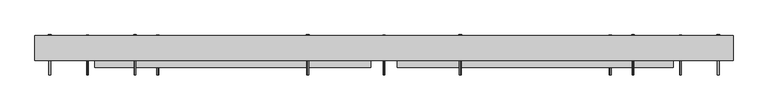
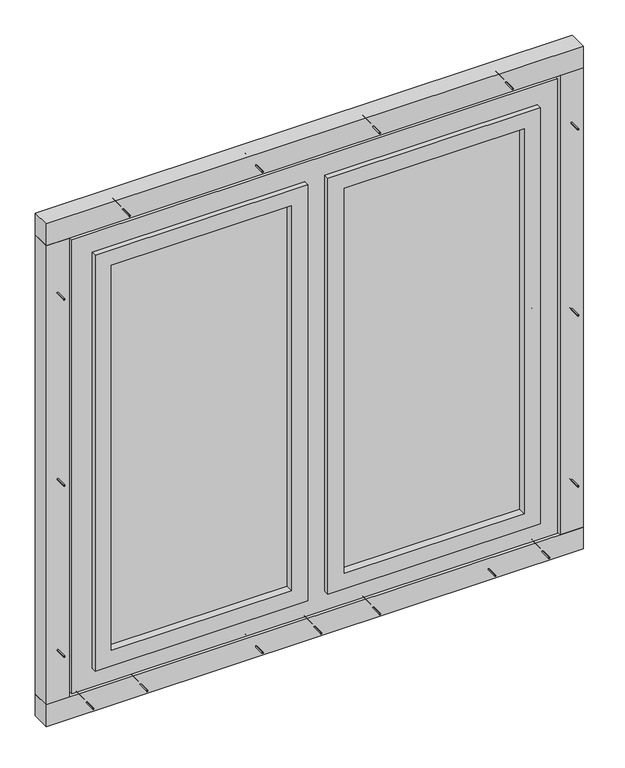
"""IFC4 building model written with IfcOpenShell, lengths in millimetres: proxy geometry."""

from ifc_helpers import new_model, si_unit, point, frame, frame_2d, origin, origin_with_axes, place, context, project, spatial, polyline, circle_curve, trimmed, segment, composite_curve, outline, extrude, source, transform, mapped, element, save


def generic_models_c57a778a(model_context):
    return source(origin(), model_context, "Body", "SweptSolid", [
        extrude(outline(polyline([(890.0, -35.0), (222.5, -35.0), (222.5, -25.0), (890.0, -25.0), (890.0, -35.0)])), frame((0.0, 0.0, 230.0), z_axis=(0.0, 0.0, 1.0), x_axis=(1.0, 0.0, 0.0)), (0.0, 0.0, 1.0), 1510.0),
        extrude(outline(polyline([(1875.0, 1025.0), (1875.0, -775.0), (95.0, -775.0), (95.0, 1025.0), (1875.0, 1025.0)]), holes=[polyline([(170.0, 950.0), (170.0, 162.5), (1800.0, 162.5), (1800.0, 950.0), (170.0, 950.0)]), polyline([(170.0, -700.0), (1800.0, -700.0), (1800.0, 87.5), (170.0, 87.5), (170.0, -700.0)])]), frame((0.0, -45.0, 0.0), z_axis=(0.0, 1.0, 0.0), x_axis=(0.0, 0.0, 1.0)), (0.0, 0.0, 1.0), 70.0),
        extrude(outline(polyline([(170.0, 950.0), (1800.0, 950.0), (1800.0, 162.5), (170.0, 162.5), (170.0, 950.0)]), holes=[polyline([(1740.0, 890.0), (230.0, 890.0), (230.0, 222.5), (1740.0, 222.5), (1740.0, 890.0)])]), frame((0.0, -65.0, 0.0), z_axis=(0.0, 1.0, 0.0), x_axis=(0.0, 0.0, 1.0)), (0.0, 0.0, 1.0), 70.0),
        extrude(outline(polyline([(-640.0, -35.0), (-640.0, -25.0), (27.5, -25.0), (27.5, -35.0), (-640.0, -35.0)])), frame((0.0, 0.0, 230.0), z_axis=(0.0, 0.0, 1.0), x_axis=(1.0, 0.0, 0.0)), (0.0, 0.0, 1.0), 1510.0),
        extrude(outline(polyline([(170.0, 87.5), (1800.0, 87.5), (1800.0, -700.0), (170.0, -700.0), (170.0, 87.5)]), holes=[polyline([(1740.0, 27.5), (230.0, 27.5), (230.0, -640.0), (1740.0, -640.0), (1740.0, 27.5)])]), frame((0.0, -65.0, 0.0), z_axis=(0.0, 1.0, 0.0), x_axis=(0.0, 0.0, 1.0)), (0.0, 0.0, 1.0), 70.0),
        extrude(outline(composite_curve([segment(trimmed(circle_curve(frame_2d((-550.0, -10.0)), 2.4700592), [point((-550.0, -12.4700592))], [point((-550.0, -7.5299408))], False, "CARTESIAN"), True, "CONTINUOUS"), segment(trimmed(circle_curve(frame_2d((-550.0, -10.0)), 2.4700592), [point((-550.0, -7.5299408))], [point((-550.0, -12.4700592))], False, "CARTESIAN"), True, "CONTINUOUS")], self_intersect=False)), frame((0.0, 0.0, 1800.0), z_axis=(0.0, 0.0, 1.0), x_axis=(1.0, 0.0, 0.0)), (0.0, 0.0, 1.0), 145.0),
        extrude(outline(composite_curve([segment(trimmed(circle_curve(frame_2d((-550.0, -10.0)), 3.8), [point((-550.0, -13.8))], [point((-550.0, -6.2))], False, "CARTESIAN"), True, "CONTINUOUS"), segment(trimmed(circle_curve(frame_2d((-550.0, -10.0)), 3.8), [point((-550.0, -6.2))], [point((-550.0, -13.8))], False, "CARTESIAN"), True, "CONTINUOUS")], self_intersect=False)), frame((0.0, 0.0, 1797.0), z_axis=(0.0, 0.0, 1.0), x_axis=(1.0, 0.0, 0.0)), (0.0, 0.0, 1.0), 3.0),
        extrude(outline(composite_curve([segment(trimmed(circle_curve(frame_2d((800.0, -10.0)), 2.4700592), [point((800.0, -12.4700592))], [point((800.0, -7.5299408))], False, "CARTESIAN"), True, "CONTINUOUS"), segment(trimmed(circle_curve(frame_2d((800.0, -10.0)), 2.4700592), [point((800.0, -7.5299408))], [point((800.0, -12.4700592))], False, "CARTESIAN"), True, "CONTINUOUS")], self_intersect=False)), frame((0.0, 0.0, 1800.0), z_axis=(0.0, 0.0, 1.0), x_axis=(1.0, 0.0, 0.0)), (0.0, 0.0, 1.0), 145.0),
        extrude(outline(composite_curve([segment(trimmed(circle_curve(frame_2d((800.0, -10.0)), 3.8), [point((800.0, -13.8))], [point((800.0, -6.2))], False, "CARTESIAN"), True, "CONTINUOUS"), segment(trimmed(circle_curve(frame_2d((800.0, -10.0)), 3.8), [point((800.0, -6.2))], [point((800.0, -13.8))], False, "CARTESIAN"), True, "CONTINUOUS")], self_intersect=False)), frame((0.0, 0.0, 1797.0), z_axis=(0.0, 0.0, 1.0), x_axis=(1.0, 0.0, 0.0)), (0.0, 0.0, 1.0), 3.0),
        extrude(outline(composite_curve([segment(trimmed(circle_curve(frame_2d((1927.5, 342.5)), 2.4700592), [point((1929.9700592, 342.5))], [point((1925.0299408, 342.5))], False, "CARTESIAN"), True, "CONTINUOUS"), segment(trimmed(circle_curve(frame_2d((1927.5, 342.5)), 2.4700592), [point((1925.0299408, 342.5))], [point((1929.9700592, 342.5))], False, "CARTESIAN"), True, "CONTINUOUS")], self_intersect=False)), frame((0.0, -87.0, 0.0), z_axis=(0.0, 1.0, 0.0), x_axis=(0.0, 0.0, 1.0)), (0.0, 0.0, 1.0), 112.0),
        extrude(outline(composite_curve([segment(trimmed(circle_curve(frame_2d((1927.5, 342.5)), 3.8), [point((1931.3, 342.5))], [point((1923.7, 342.5))], False, "CARTESIAN"), True, "CONTINUOUS"), segment(trimmed(circle_curve(frame_2d((1927.5, 342.5)), 3.8), [point((1923.7, 342.5))], [point((1931.3, 342.5))], False, "CARTESIAN"), True, "CONTINUOUS")], self_intersect=False)), frame((0.0, 25.0, 0.0), z_axis=(0.0, 1.0, 0.0), x_axis=(0.0, 0.0, 1.0)), (0.0, 0.0, 1.0), 3.0),
        extrude(outline(composite_curve([segment(trimmed(circle_curve(frame_2d((312.5, -10.0)), 2.4700592), [point((312.5, -12.4700592))], [point((312.5, -7.5299408))], False, "CARTESIAN"), True, "CONTINUOUS"), segment(trimmed(circle_curve(frame_2d((312.5, -10.0)), 2.4700592), [point((312.5, -7.5299408))], [point((312.5, -12.4700592))], False, "CARTESIAN"), True, "CONTINUOUS")], self_intersect=False)), frame((0.0, 0.0, 1800.0), z_axis=(0.0, 0.0, 1.0), x_axis=(1.0, 0.0, 0.0)), (0.0, 0.0, 1.0), 145.0),
        extrude(outline(composite_curve([segment(trimmed(circle_curve(frame_2d((312.5, -10.0)), 3.8), [point((312.5, -13.8))], [point((312.5, -6.2))], False, "CARTESIAN"), True, "CONTINUOUS"), segment(trimmed(circle_curve(frame_2d((312.5, -10.0)), 3.8), [point((312.5, -6.2))], [point((312.5, -13.8))], False, "CARTESIAN"), True, "CONTINUOUS")], self_intersect=False)), frame((0.0, 0.0, 1797.0), z_axis=(0.0, 0.0, 1.0), x_axis=(1.0, 0.0, 0.0)), (0.0, 0.0, 1.0), 3.0),
        extrude(outline(composite_curve([segment(trimmed(circle_curve(frame_2d((1927.5, -92.5)), 2.4700592), [point((1929.9700592, -92.5))], [point((1925.0299408, -92.5))], False, "CARTESIAN"), True, "CONTINUOUS"), segment(trimmed(circle_curve(frame_2d((1927.5, -92.5)), 2.4700592), [point((1925.0299408, -92.5))], [point((1929.9700592, -92.5))], False, "CARTESIAN"), True, "CONTINUOUS")], self_intersect=False)), frame((0.0, -87.0, 0.0), z_axis=(0.0, 1.0, 0.0), x_axis=(0.0, 0.0, 1.0)), (0.0, 0.0, 1.0), 112.0),
        extrude(outline(composite_curve([segment(trimmed(circle_curve(frame_2d((1927.5, -92.5)), 3.8), [point((1931.3, -92.5))], [point((1923.7, -92.5))], False, "CARTESIAN"), True, "CONTINUOUS"), segment(trimmed(circle_curve(frame_2d((1927.5, -92.5)), 3.8), [point((1923.7, -92.5))], [point((1931.3, -92.5))], False, "CARTESIAN"), True, "CONTINUOUS")], self_intersect=False)), frame((0.0, 25.0, 0.0), z_axis=(0.0, 1.0, 0.0), x_axis=(0.0, 0.0, 1.0)), (0.0, 0.0, 1.0), 3.0),
        extrude(outline(composite_curve([segment(trimmed(circle_curve(frame_2d((-62.5, -10.0)), 2.4700592), [point((-62.5, -12.4700592))], [point((-62.5, -7.5299408))], False, "CARTESIAN"), True, "CONTINUOUS"), segment(trimmed(circle_curve(frame_2d((-62.5, -10.0)), 2.4700592), [point((-62.5, -7.5299408))], [point((-62.5, -12.4700592))], False, "CARTESIAN"), True, "CONTINUOUS")], self_intersect=False)), frame((0.0, 0.0, 1800.0), z_axis=(0.0, 0.0, 1.0), x_axis=(1.0, 0.0, 0.0)), (0.0, 0.0, 1.0), 145.0),
        extrude(outline(composite_curve([segment(trimmed(circle_curve(frame_2d((-62.5, -10.0)), 3.8), [point((-62.5, -13.8))], [point((-62.5, -6.2))], False, "CARTESIAN"), True, "CONTINUOUS"), segment(trimmed(circle_curve(frame_2d((-62.5, -10.0)), 3.8), [point((-62.5, -6.2))], [point((-62.5, -13.8))], False, "CARTESIAN"), True, "CONTINUOUS")], self_intersect=False)), frame((0.0, 0.0, 1797.0), z_axis=(0.0, 0.0, 1.0), x_axis=(1.0, 0.0, 0.0)), (0.0, 0.0, 1.0), 3.0),
        extrude(outline(composite_curve([segment(trimmed(circle_curve(frame_2d((1927.5, -585.0)), 2.4700592), [point((1929.9700592, -585.0))], [point((1925.0299408, -585.0))], False, "CARTESIAN"), True, "CONTINUOUS"), segment(trimmed(circle_curve(frame_2d((1927.5, -585.0)), 2.4700592), [point((1925.0299408, -585.0))], [point((1929.9700592, -585.0))], False, "CARTESIAN"), True, "CONTINUOUS")], self_intersect=False)), frame((0.0, -87.0, 0.0), z_axis=(0.0, 1.0, 0.0), x_axis=(0.0, 0.0, 1.0)), (0.0, 0.0, 1.0), 112.0),
        extrude(outline(composite_curve([segment(trimmed(circle_curve(frame_2d((1927.5, -585.0)), 3.8), [point((1931.3, -585.0))], [point((1923.7, -585.0))], False, "CARTESIAN"), True, "CONTINUOUS"), segment(trimmed(circle_curve(frame_2d((1927.5, -585.0)), 3.8), [point((1923.7, -585.0))], [point((1931.3, -585.0))], False, "CARTESIAN"), True, "CONTINUOUS")], self_intersect=False)), frame((0.0, 25.0, 0.0), z_axis=(0.0, 1.0, 0.0), x_axis=(0.0, 0.0, 1.0)), (0.0, 0.0, 1.0), 3.0),
        extrude(outline(composite_curve([segment(trimmed(circle_curve(frame_2d((1927.5, 835.0)), 2.4700592), [point((1929.9700592, 835.0))], [point((1925.0299408, 835.0))], False, "CARTESIAN"), True, "CONTINUOUS"), segment(trimmed(circle_curve(frame_2d((1927.5, 835.0)), 2.4700592), [point((1925.0299408, 835.0))], [point((1929.9700592, 835.0))], False, "CARTESIAN"), True, "CONTINUOUS")], self_intersect=False)), frame((0.0, -87.0, 0.0), z_axis=(0.0, 1.0, 0.0), x_axis=(0.0, 0.0, 1.0)), (0.0, 0.0, 1.0), 112.0),
        extrude(outline(composite_curve([segment(trimmed(circle_curve(frame_2d((1927.5, 835.0)), 3.8), [point((1931.3, 835.0))], [point((1923.7, 835.0))], False, "CARTESIAN"), True, "CONTINUOUS"), segment(trimmed(circle_curve(frame_2d((1927.5, 835.0)), 3.8), [point((1923.7, 835.0))], [point((1931.3, 835.0))], False, "CARTESIAN"), True, "CONTINUOUS")], self_intersect=False)), frame((0.0, 25.0, 0.0), z_axis=(0.0, 1.0, 0.0), x_axis=(0.0, 0.0, 1.0)), (0.0, 0.0, 1.0), 3.0),
        extrude(outline(polyline([(1120.0, -45.0), (-870.0, -45.0), (-870.0, 25.0), (1120.0, 25.0), (1120.0, -45.0)])), frame((0.0, 0.0, 1885.0), z_axis=(0.0, 0.0, 1.0), x_axis=(1.0, 0.0, 0.0)), (0.0, 0.0, 1.0), 85.0),
        extrude(outline(composite_curve([segment(trimmed(circle_curve(frame_2d((42.5, -520.0)), 2.4700592), [point((44.9700592, -520.0))], [point((40.0299408, -520.0))], False, "CARTESIAN"), True, "CONTINUOUS"), segment(trimmed(circle_curve(frame_2d((42.5, -520.0)), 2.4700592), [point((40.0299408, -520.0))], [point((44.9700592, -520.0))], False, "CARTESIAN"), True, "CONTINUOUS")], self_intersect=False)), frame((0.0, -87.0, 0.0), z_axis=(0.0, 1.0, 0.0), x_axis=(0.0, 0.0, 1.0)), (0.0, 0.0, 1.0), 112.0),
        extrude(outline(composite_curve([segment(trimmed(circle_curve(frame_2d((42.5, -520.0)), 3.8), [point((46.3, -520.0))], [point((38.7, -520.0))], False, "CARTESIAN"), True, "CONTINUOUS"), segment(trimmed(circle_curve(frame_2d((42.5, -520.0)), 3.8), [point((38.7, -520.0))], [point((46.3, -520.0))], False, "CARTESIAN"), True, "CONTINUOUS")], self_intersect=False)), frame((0.0, 25.0, 0.0), z_axis=(0.0, 1.0, 0.0), x_axis=(0.0, 0.0, 1.0)), (0.0, 0.0, 1.0), 3.0),
        extrude(outline(composite_curve([segment(trimmed(circle_curve(frame_2d((-550.0, -10.0)), 2.4700592), [point((-550.0, -12.4700592))], [point((-550.0, -7.5299408))], False, "CARTESIAN"), True, "CONTINUOUS"), segment(trimmed(circle_curve(frame_2d((-550.0, -10.0)), 2.4700592), [point((-550.0, -7.5299408))], [point((-550.0, -12.4700592))], False, "CARTESIAN"), True, "CONTINUOUS")], self_intersect=False)), frame((0.0, 0.0, 25.0), z_axis=(0.0, 0.0, 1.0), x_axis=(1.0, 0.0, 0.0)), (0.0, 0.0, 1.0), 145.0),
        extrude(outline(composite_curve([segment(trimmed(circle_curve(frame_2d((-550.0, -10.0)), 3.8), [point((-550.0, -13.8))], [point((-550.0, -6.2))], False, "CARTESIAN"), True, "CONTINUOUS"), segment(trimmed(circle_curve(frame_2d((-550.0, -10.0)), 3.8), [point((-550.0, -6.2))], [point((-550.0, -13.8))], False, "CARTESIAN"), True, "CONTINUOUS")], self_intersect=False)), frame((0.0, 0.0, 170.0), z_axis=(0.0, 0.0, 1.0), x_axis=(1.0, 0.0, 0.0)), (0.0, 0.0, 1.0), 3.0),
        extrude(outline(composite_curve([segment(trimmed(circle_curve(frame_2d((42.5, -92.5)), 2.4700592), [point((44.9700592, -92.5))], [point((40.0299408, -92.5))], False, "CARTESIAN"), True, "CONTINUOUS"), segment(trimmed(circle_curve(frame_2d((42.5, -92.5)), 2.4700592), [point((40.0299408, -92.5))], [point((44.9700592, -92.5))], False, "CARTESIAN"), True, "CONTINUOUS")], self_intersect=False)), frame((0.0, -87.0, 0.0), z_axis=(0.0, 1.0, 0.0), x_axis=(0.0, 0.0, 1.0)), (0.0, 0.0, 1.0), 112.0),
        extrude(outline(composite_curve([segment(trimmed(circle_curve(frame_2d((42.5, -92.5)), 3.8), [point((46.3, -92.5))], [point((38.7, -92.5))], False, "CARTESIAN"), True, "CONTINUOUS"), segment(trimmed(circle_curve(frame_2d((42.5, -92.5)), 3.8), [point((38.7, -92.5))], [point((46.3, -92.5))], False, "CARTESIAN"), True, "CONTINUOUS")], self_intersect=False)), frame((0.0, 25.0, 0.0), z_axis=(0.0, 1.0, 0.0), x_axis=(0.0, 0.0, 1.0)), (0.0, 0.0, 1.0), 3.0),
        extrude(outline(composite_curve([segment(trimmed(circle_curve(frame_2d((-62.5, -10.0)), 2.4700592), [point((-62.5, -12.4700592))], [point((-62.5, -7.5299408))], False, "CARTESIAN"), True, "CONTINUOUS"), segment(trimmed(circle_curve(frame_2d((-62.5, -10.0)), 2.4700592), [point((-62.5, -7.5299408))], [point((-62.5, -12.4700592))], False, "CARTESIAN"), True, "CONTINUOUS")], self_intersect=False)), frame((0.0, 0.0, 25.0), z_axis=(0.0, 0.0, 1.0), x_axis=(1.0, 0.0, 0.0)), (0.0, 0.0, 1.0), 145.0),
        extrude(outline(composite_curve([segment(trimmed(circle_curve(frame_2d((-62.5, -10.0)), 3.8), [point((-62.5, -13.8))], [point((-62.5, -6.2))], False, "CARTESIAN"), True, "CONTINUOUS"), segment(trimmed(circle_curve(frame_2d((-62.5, -10.0)), 3.8), [point((-62.5, -6.2))], [point((-62.5, -13.8))], False, "CARTESIAN"), True, "CONTINUOUS")], self_intersect=False)), frame((0.0, 0.0, 170.0), z_axis=(0.0, 0.0, 1.0), x_axis=(1.0, 0.0, 0.0)), (0.0, 0.0, 1.0), 3.0),
        extrude(outline(composite_curve([segment(trimmed(circle_curve(frame_2d((42.5, 770.0)), 2.4700592), [point((44.9700592, 770.0))], [point((40.0299408, 770.0))], False, "CARTESIAN"), True, "CONTINUOUS"), segment(trimmed(circle_curve(frame_2d((42.5, 770.0)), 2.4700592), [point((40.0299408, 770.0))], [point((44.9700592, 770.0))], False, "CARTESIAN"), True, "CONTINUOUS")], self_intersect=False)), frame((0.0, -87.0, 0.0), z_axis=(0.0, 1.0, 0.0), x_axis=(0.0, 0.0, 1.0)), (0.0, 0.0, 1.0), 112.0),
        extrude(outline(composite_curve([segment(trimmed(circle_curve(frame_2d((42.5, 770.0)), 3.8), [point((46.3, 770.0))], [point((38.7, 770.0))], False, "CARTESIAN"), True, "CONTINUOUS"), segment(trimmed(circle_curve(frame_2d((42.5, 770.0)), 3.8), [point((38.7, 770.0))], [point((46.3, 770.0))], False, "CARTESIAN"), True, "CONTINUOUS")], self_intersect=False)), frame((0.0, 25.0, 0.0), z_axis=(0.0, 1.0, 0.0), x_axis=(0.0, 0.0, 1.0)), (0.0, 0.0, 1.0), 3.0),
        extrude(outline(composite_curve([segment(trimmed(circle_curve(frame_2d((800.0, -10.0)), 2.4700592), [point((800.0, -12.4700592))], [point((800.0, -7.5299408))], False, "CARTESIAN"), True, "CONTINUOUS"), segment(trimmed(circle_curve(frame_2d((800.0, -10.0)), 2.4700592), [point((800.0, -7.5299408))], [point((800.0, -12.4700592))], False, "CARTESIAN"), True, "CONTINUOUS")], self_intersect=False)), frame((0.0, 0.0, 25.0), z_axis=(0.0, 0.0, 1.0), x_axis=(1.0, 0.0, 0.0)), (0.0, 0.0, 1.0), 145.0),
        extrude(outline(composite_curve([segment(trimmed(circle_curve(frame_2d((800.0, -10.0)), 3.8), [point((800.0, -13.8))], [point((800.0, -6.2))], False, "CARTESIAN"), True, "CONTINUOUS"), segment(trimmed(circle_curve(frame_2d((800.0, -10.0)), 3.8), [point((800.0, -6.2))], [point((800.0, -13.8))], False, "CARTESIAN"), True, "CONTINUOUS")], self_intersect=False)), frame((0.0, 0.0, 170.0), z_axis=(0.0, 0.0, 1.0), x_axis=(1.0, 0.0, 0.0)), (0.0, 0.0, 1.0), 3.0),
        extrude(outline(composite_curve([segment(trimmed(circle_curve(frame_2d((42.5, 342.5)), 2.4700592), [point((44.9700592, 342.5))], [point((40.0299408, 342.5))], False, "CARTESIAN"), True, "CONTINUOUS"), segment(trimmed(circle_curve(frame_2d((42.5, 342.5)), 2.4700592), [point((40.0299408, 342.5))], [point((44.9700592, 342.5))], False, "CARTESIAN"), True, "CONTINUOUS")], self_intersect=False)), frame((0.0, -87.0, 0.0), z_axis=(0.0, 1.0, 0.0), x_axis=(0.0, 0.0, 1.0)), (0.0, 0.0, 1.0), 112.0),
        extrude(outline(composite_curve([segment(trimmed(circle_curve(frame_2d((42.5, 342.5)), 3.8), [point((46.3, 342.5))], [point((38.7, 342.5))], False, "CARTESIAN"), True, "CONTINUOUS"), segment(trimmed(circle_curve(frame_2d((42.5, 342.5)), 3.8), [point((38.7, 342.5))], [point((46.3, 342.5))], False, "CARTESIAN"), True, "CONTINUOUS")], self_intersect=False)), frame((0.0, 25.0, 0.0), z_axis=(0.0, 1.0, 0.0), x_axis=(0.0, 0.0, 1.0)), (0.0, 0.0, 1.0), 3.0),
        extrude(outline(composite_curve([segment(trimmed(circle_curve(frame_2d((312.5, -10.0)), 2.4700592), [point((312.5, -12.4700592))], [point((312.5, -7.5299408))], False, "CARTESIAN"), True, "CONTINUOUS"), segment(trimmed(circle_curve(frame_2d((312.5, -10.0)), 2.4700592), [point((312.5, -7.5299408))], [point((312.5, -12.4700592))], False, "CARTESIAN"), True, "CONTINUOUS")], self_intersect=False)), frame((0.0, 0.0, 25.0), z_axis=(0.0, 0.0, 1.0), x_axis=(1.0, 0.0, 0.0)), (0.0, 0.0, 1.0), 145.0),
        extrude(outline(composite_curve([segment(trimmed(circle_curve(frame_2d((312.5, -10.0)), 3.8), [point((312.5, -13.8))], [point((312.5, -6.2))], False, "CARTESIAN"), True, "CONTINUOUS"), segment(trimmed(circle_curve(frame_2d((312.5, -10.0)), 3.8), [point((312.5, -6.2))], [point((312.5, -13.8))], False, "CARTESIAN"), True, "CONTINUOUS")], self_intersect=False)), frame((0.0, 0.0, 170.0), z_axis=(0.0, 0.0, 1.0), x_axis=(1.0, 0.0, 0.0)), (0.0, 0.0, 1.0), 3.0),
        extrude(outline(composite_curve([segment(trimmed(circle_curve(frame_2d((42.5, 125.0)), 2.4700592), [point((44.9700592, 125.0))], [point((40.0299408, 125.0))], False, "CARTESIAN"), True, "CONTINUOUS"), segment(trimmed(circle_curve(frame_2d((42.5, 125.0)), 2.4700592), [point((40.0299408, 125.0))], [point((44.9700592, 125.0))], False, "CARTESIAN"), True, "CONTINUOUS")], self_intersect=False)), frame((0.0, -87.0, 0.0), z_axis=(0.0, 1.0, 0.0), x_axis=(0.0, 0.0, 1.0)), (0.0, 0.0, 1.0), 112.0),
        extrude(outline(composite_curve([segment(trimmed(circle_curve(frame_2d((42.5, 125.0)), 3.8), [point((46.3, 125.0))], [point((38.7, 125.0))], False, "CARTESIAN"), True, "CONTINUOUS"), segment(trimmed(circle_curve(frame_2d((42.5, 125.0)), 3.8), [point((38.7, 125.0))], [point((46.3, 125.0))], False, "CARTESIAN"), True, "CONTINUOUS")], self_intersect=False)), frame((0.0, 25.0, 0.0), z_axis=(0.0, 1.0, 0.0), x_axis=(0.0, 0.0, 1.0)), (0.0, 0.0, 1.0), 3.0),
        extrude(outline(composite_curve([segment(trimmed(circle_curve(frame_2d((42.5, -720.0)), 2.4700592), [point((44.9700592, -720.0))], [point((40.0299408, -720.0))], False, "CARTESIAN"), True, "CONTINUOUS"), segment(trimmed(circle_curve(frame_2d((42.5, -720.0)), 2.4700592), [point((40.0299408, -720.0))], [point((44.9700592, -720.0))], False, "CARTESIAN"), True, "CONTINUOUS")], self_intersect=False)), frame((0.0, -87.0, 0.0), z_axis=(0.0, 1.0, 0.0), x_axis=(0.0, 0.0, 1.0)), (0.0, 0.0, 1.0), 112.0),
        extrude(outline(composite_curve([segment(trimmed(circle_curve(frame_2d((42.5, -720.0)), 3.8), [point((46.3, -720.0))], [point((38.7, -720.0))], False, "CARTESIAN"), True, "CONTINUOUS"), segment(trimmed(circle_curve(frame_2d((42.5, -720.0)), 3.8), [point((38.7, -720.0))], [point((46.3, -720.0))], False, "CARTESIAN"), True, "CONTINUOUS")], self_intersect=False)), frame((0.0, 25.0, 0.0), z_axis=(0.0, 1.0, 0.0), x_axis=(0.0, 0.0, 1.0)), (0.0, 0.0, 1.0), 3.0),
        extrude(outline(composite_curve([segment(trimmed(circle_curve(frame_2d((42.5, 970.0)), 2.4700592), [point((44.9700592, 970.0))], [point((40.0299408, 970.0))], False, "CARTESIAN"), True, "CONTINUOUS"), segment(trimmed(circle_curve(frame_2d((42.5, 970.0)), 2.4700592), [point((40.0299408, 970.0))], [point((44.9700592, 970.0))], False, "CARTESIAN"), True, "CONTINUOUS")], self_intersect=False)), frame((0.0, -87.0, 0.0), z_axis=(0.0, 1.0, 0.0), x_axis=(0.0, 0.0, 1.0)), (0.0, 0.0, 1.0), 112.0),
        extrude(outline(composite_curve([segment(trimmed(circle_curve(frame_2d((42.5, 970.0)), 3.8), [point((46.3, 970.0))], [point((38.7, 970.0))], False, "CARTESIAN"), True, "CONTINUOUS"), segment(trimmed(circle_curve(frame_2d((42.5, 970.0)), 3.8), [point((38.7, 970.0))], [point((46.3, 970.0))], False, "CARTESIAN"), True, "CONTINUOUS")], self_intersect=False)), frame((0.0, 25.0, 0.0), z_axis=(0.0, 1.0, 0.0), x_axis=(0.0, 0.0, 1.0)), (0.0, 0.0, 1.0), 3.0),
        extrude(outline(polyline([(1120.0, -45.0), (-870.0, -45.0), (-870.0, 25.0), (1120.0, 25.0), (1120.0, -45.0)])), origin_with_axes(), (0.0, 0.0, 1.0), 85.0),
        extrude(outline(composite_curve([segment(trimmed(circle_curve(frame_2d((-10.0, 320.0)), 2.4700592), [point((-12.4700592, 320.0))], [point((-7.5299408, 320.0))], False, "CARTESIAN"), True, "CONTINUOUS"), segment(trimmed(circle_curve(frame_2d((-10.0, 320.0)), 2.4700592), [point((-7.5299408, 320.0))], [point((-12.4700592, 320.0))], False, "CARTESIAN"), True, "CONTINUOUS")], self_intersect=False)), frame((-845.0, 0.0, 0.0), z_axis=(1.0, 0.0, 0.0), x_axis=(0.0, 1.0, 0.0)), (0.0, 0.0, 1.0), 145.0),
        extrude(outline(composite_curve([segment(trimmed(circle_curve(frame_2d((-10.0, 320.0)), 3.8), [point((-13.8, 320.0))], [point((-6.2, 320.0))], False, "CARTESIAN"), True, "CONTINUOUS"), segment(trimmed(circle_curve(frame_2d((-10.0, 320.0)), 3.8), [point((-6.2, 320.0))], [point((-13.8, 320.0))], False, "CARTESIAN"), True, "CONTINUOUS")], self_intersect=False)), frame((-700.0, 0.0, 0.0), z_axis=(1.0, 0.0, 0.0), x_axis=(0.0, 1.0, 0.0)), (0.0, 0.0, 1.0), 3.0),
        extrude(outline(composite_curve([segment(trimmed(circle_curve(frame_2d((-10.0, 1650.0)), 2.4700592), [point((-12.4700592, 1650.0))], [point((-7.5299408, 1650.0))], False, "CARTESIAN"), True, "CONTINUOUS"), segment(trimmed(circle_curve(frame_2d((-10.0, 1650.0)), 2.4700592), [point((-7.5299408, 1650.0))], [point((-12.4700592, 1650.0))], False, "CARTESIAN"), True, "CONTINUOUS")], self_intersect=False)), frame((-845.0, 0.0, 0.0), z_axis=(1.0, 0.0, 0.0), x_axis=(0.0, 1.0, 0.0)), (0.0, 0.0, 1.0), 145.0),
        extrude(outline(composite_curve([segment(trimmed(circle_curve(frame_2d((-10.0, 1650.0)), 3.8), [point((-13.8, 1650.0))], [point((-6.2, 1650.0))], False, "CARTESIAN"), True, "CONTINUOUS"), segment(trimmed(circle_curve(frame_2d((-10.0, 1650.0)), 3.8), [point((-6.2, 1650.0))], [point((-13.8, 1650.0))], False, "CARTESIAN"), True, "CONTINUOUS")], self_intersect=False)), frame((-700.0, 0.0, 0.0), z_axis=(1.0, 0.0, 0.0), x_axis=(0.0, 1.0, 0.0)), (0.0, 0.0, 1.0), 3.0),
        extrude(outline(composite_curve([segment(trimmed(circle_curve(frame_2d((955.0, -827.5)), 2.4700592), [point((955.0, -829.9700592))], [point((955.0, -825.0299408))], False, "CARTESIAN"), True, "CONTINUOUS"), segment(trimmed(circle_curve(frame_2d((955.0, -827.5)), 2.4700592), [point((955.0, -825.0299408))], [point((955.0, -829.9700592))], False, "CARTESIAN"), True, "CONTINUOUS")], self_intersect=False)), frame((0.0, -87.0, 0.0), z_axis=(0.0, 1.0, 0.0), x_axis=(0.0, 0.0, 1.0)), (0.0, 0.0, 1.0), 112.0),
        extrude(outline(composite_curve([segment(trimmed(circle_curve(frame_2d((955.0, -827.5)), 3.8), [point((955.0, -831.3))], [point((955.0, -823.7))], False, "CARTESIAN"), True, "CONTINUOUS"), segment(trimmed(circle_curve(frame_2d((955.0, -827.5)), 3.8), [point((955.0, -823.7))], [point((955.0, -831.3))], False, "CARTESIAN"), True, "CONTINUOUS")], self_intersect=False)), frame((0.0, 25.0, 0.0), z_axis=(0.0, 1.0, 0.0), x_axis=(0.0, 0.0, 1.0)), (0.0, 0.0, 1.0), 3.0),
        extrude(outline(composite_curve([segment(trimmed(circle_curve(frame_2d((-10.0, 985.0)), 2.4700592), [point((-12.4700592, 985.0))], [point((-7.5299408, 985.0))], False, "CARTESIAN"), True, "CONTINUOUS"), segment(trimmed(circle_curve(frame_2d((-10.0, 985.0)), 2.4700592), [point((-7.5299408, 985.0))], [point((-12.4700592, 985.0))], False, "CARTESIAN"), True, "CONTINUOUS")], self_intersect=False)), frame((-845.0, 0.0, 0.0), z_axis=(1.0, 0.0, 0.0), x_axis=(0.0, 1.0, 0.0)), (0.0, 0.0, 1.0), 145.0),
        extrude(outline(composite_curve([segment(trimmed(circle_curve(frame_2d((-10.0, 985.0)), 3.8), [point((-13.8, 985.0))], [point((-6.2, 985.0))], False, "CARTESIAN"), True, "CONTINUOUS"), segment(trimmed(circle_curve(frame_2d((-10.0, 985.0)), 3.8), [point((-6.2, 985.0))], [point((-13.8, 985.0))], False, "CARTESIAN"), True, "CONTINUOUS")], self_intersect=False)), frame((-700.0, 0.0, 0.0), z_axis=(1.0, 0.0, 0.0), x_axis=(0.0, 1.0, 0.0)), (0.0, 0.0, 1.0), 3.0),
        extrude(outline(composite_curve([segment(trimmed(circle_curve(frame_2d((1685.0, -827.5)), 2.4700592), [point((1685.0, -829.9700592))], [point((1685.0, -825.0299408))], False, "CARTESIAN"), True, "CONTINUOUS"), segment(trimmed(circle_curve(frame_2d((1685.0, -827.5)), 2.4700592), [point((1685.0, -825.0299408))], [point((1685.0, -829.9700592))], False, "CARTESIAN"), True, "CONTINUOUS")], self_intersect=False)), frame((0.0, -87.0, 0.0), z_axis=(0.0, 1.0, 0.0), x_axis=(0.0, 0.0, 1.0)), (0.0, 0.0, 1.0), 112.0),
        extrude(outline(composite_curve([segment(trimmed(circle_curve(frame_2d((1685.0, -827.5)), 3.8), [point((1685.0, -831.3))], [point((1685.0, -823.7))], False, "CARTESIAN"), True, "CONTINUOUS"), segment(trimmed(circle_curve(frame_2d((1685.0, -827.5)), 3.8), [point((1685.0, -823.7))], [point((1685.0, -831.3))], False, "CARTESIAN"), True, "CONTINUOUS")], self_intersect=False)), frame((0.0, 25.0, 0.0), z_axis=(0.0, 1.0, 0.0), x_axis=(0.0, 0.0, 1.0)), (0.0, 0.0, 1.0), 3.0),
        extrude(outline(composite_curve([segment(trimmed(circle_curve(frame_2d((285.0, -827.5)), 2.4700592), [point((285.0, -829.9700592))], [point((285.0, -825.0299408))], False, "CARTESIAN"), True, "CONTINUOUS"), segment(trimmed(circle_curve(frame_2d((285.0, -827.5)), 2.4700592), [point((285.0, -825.0299408))], [point((285.0, -829.9700592))], False, "CARTESIAN"), True, "CONTINUOUS")], self_intersect=False)), frame((0.0, -87.0, 0.0), z_axis=(0.0, 1.0, 0.0), x_axis=(0.0, 0.0, 1.0)), (0.0, 0.0, 1.0), 112.0),
        extrude(outline(composite_curve([segment(trimmed(circle_curve(frame_2d((285.0, -827.5)), 3.8), [point((285.0, -831.3))], [point((285.0, -823.7))], False, "CARTESIAN"), True, "CONTINUOUS"), segment(trimmed(circle_curve(frame_2d((285.0, -827.5)), 3.8), [point((285.0, -823.7))], [point((285.0, -831.3))], False, "CARTESIAN"), True, "CONTINUOUS")], self_intersect=False)), frame((0.0, 25.0, 0.0), z_axis=(0.0, 1.0, 0.0), x_axis=(0.0, 0.0, 1.0)), (0.0, 0.0, 1.0), 3.0),
        extrude(outline(polyline([(-870.0, -45.0), (-870.0, 25.0), (-785.0, 25.0), (-785.0, -45.0), (-870.0, -45.0)])), frame((0.0, 0.0, 85.0), z_axis=(0.0, 0.0, 1.0), x_axis=(1.0, 0.0, 0.0)), (0.0, 0.0, 1.0), 1800.0),
        extrude(outline(composite_curve([segment(trimmed(circle_curve(frame_2d((-10.0, 320.0)), 2.4700592), [point((-12.4700592, 320.0))], [point((-7.5299408, 320.0))], False, "CARTESIAN"), True, "CONTINUOUS"), segment(trimmed(circle_curve(frame_2d((-10.0, 320.0)), 2.4700592), [point((-7.5299408, 320.0))], [point((-12.4700592, 320.0))], False, "CARTESIAN"), True, "CONTINUOUS")], self_intersect=False)), frame((950.0, 0.0, 0.0), z_axis=(1.0, 0.0, 0.0), x_axis=(0.0, 1.0, 0.0)), (0.0, 0.0, 1.0), 145.0),
        extrude(outline(composite_curve([segment(trimmed(circle_curve(frame_2d((-10.0, 320.0)), 3.8), [point((-13.8, 320.0))], [point((-6.2, 320.0))], False, "CARTESIAN"), True, "CONTINUOUS"), segment(trimmed(circle_curve(frame_2d((-10.0, 320.0)), 3.8), [point((-6.2, 320.0))], [point((-13.8, 320.0))], False, "CARTESIAN"), True, "CONTINUOUS")], self_intersect=False)), frame((947.0, 0.0, 0.0), z_axis=(1.0, 0.0, 0.0), x_axis=(0.0, 1.0, 0.0)), (0.0, 0.0, 1.0), 3.0),
        extrude(outline(composite_curve([segment(trimmed(circle_curve(frame_2d((-10.0, 1650.0)), 2.4700592), [point((-12.4700592, 1650.0))], [point((-7.5299408, 1650.0))], False, "CARTESIAN"), True, "CONTINUOUS"), segment(trimmed(circle_curve(frame_2d((-10.0, 1650.0)), 2.4700592), [point((-7.5299408, 1650.0))], [point((-12.4700592, 1650.0))], False, "CARTESIAN"), True, "CONTINUOUS")], self_intersect=False)), frame((950.0, 0.0, 0.0), z_axis=(1.0, 0.0, 0.0), x_axis=(0.0, 1.0, 0.0)), (0.0, 0.0, 1.0), 145.0),
        extrude(outline(composite_curve([segment(trimmed(circle_curve(frame_2d((-10.0, 1650.0)), 3.8), [point((-13.8, 1650.0))], [point((-6.2, 1650.0))], False, "CARTESIAN"), True, "CONTINUOUS"), segment(trimmed(circle_curve(frame_2d((-10.0, 1650.0)), 3.8), [point((-6.2, 1650.0))], [point((-13.8, 1650.0))], False, "CARTESIAN"), True, "CONTINUOUS")], self_intersect=False)), frame((947.0, 0.0, 0.0), z_axis=(1.0, 0.0, 0.0), x_axis=(0.0, 1.0, 0.0)), (0.0, 0.0, 1.0), 3.0),
        extrude(outline(composite_curve([segment(trimmed(circle_curve(frame_2d((955.0, 1077.5)), 2.4700592), [point((955.0, 1079.9700592))], [point((955.0, 1075.0299408))], False, "CARTESIAN"), True, "CONTINUOUS"), segment(trimmed(circle_curve(frame_2d((955.0, 1077.5)), 2.4700592), [point((955.0, 1075.0299408))], [point((955.0, 1079.9700592))], False, "CARTESIAN"), True, "CONTINUOUS")], self_intersect=False)), frame((0.0, -87.0, 0.0), z_axis=(0.0, 1.0, 0.0), x_axis=(0.0, 0.0, 1.0)), (0.0, 0.0, 1.0), 112.0),
        extrude(outline(composite_curve([segment(trimmed(circle_curve(frame_2d((955.0, 1077.5)), 3.8), [point((955.0, 1081.3))], [point((955.0, 1073.7))], False, "CARTESIAN"), True, "CONTINUOUS"), segment(trimmed(circle_curve(frame_2d((955.0, 1077.5)), 3.8), [point((955.0, 1073.7))], [point((955.0, 1081.3))], False, "CARTESIAN"), True, "CONTINUOUS")], self_intersect=False)), frame((0.0, 25.0, 0.0), z_axis=(0.0, 1.0, 0.0), x_axis=(0.0, 0.0, 1.0)), (0.0, 0.0, 1.0), 3.0),
        extrude(outline(composite_curve([segment(trimmed(circle_curve(frame_2d((-10.0, 985.0)), 2.4700592), [point((-12.4700592, 985.0))], [point((-7.5299408, 985.0))], False, "CARTESIAN"), True, "CONTINUOUS"), segment(trimmed(circle_curve(frame_2d((-10.0, 985.0)), 2.4700592), [point((-7.5299408, 985.0))], [point((-12.4700592, 985.0))], False, "CARTESIAN"), True, "CONTINUOUS")], self_intersect=False)), frame((950.0, 0.0, 0.0), z_axis=(1.0, 0.0, 0.0), x_axis=(0.0, 1.0, 0.0)), (0.0, 0.0, 1.0), 145.0),
        extrude(outline(composite_curve([segment(trimmed(circle_curve(frame_2d((-10.0, 985.0)), 3.8), [point((-13.8, 985.0))], [point((-6.2, 985.0))], False, "CARTESIAN"), True, "CONTINUOUS"), segment(trimmed(circle_curve(frame_2d((-10.0, 985.0)), 3.8), [point((-6.2, 985.0))], [point((-13.8, 985.0))], False, "CARTESIAN"), True, "CONTINUOUS")], self_intersect=False)), frame((947.0, 0.0, 0.0), z_axis=(1.0, 0.0, 0.0), x_axis=(0.0, 1.0, 0.0)), (0.0, 0.0, 1.0), 3.0),
        extrude(outline(composite_curve([segment(trimmed(circle_curve(frame_2d((1685.0, 1077.5)), 2.4700592), [point((1685.0, 1079.9700592))], [point((1685.0, 1075.0299408))], False, "CARTESIAN"), True, "CONTINUOUS"), segment(trimmed(circle_curve(frame_2d((1685.0, 1077.5)), 2.4700592), [point((1685.0, 1075.0299408))], [point((1685.0, 1079.9700592))], False, "CARTESIAN"), True, "CONTINUOUS")], self_intersect=False)), frame((0.0, -87.0, 0.0), z_axis=(0.0, 1.0, 0.0), x_axis=(0.0, 0.0, 1.0)), (0.0, 0.0, 1.0), 112.0),
        extrude(outline(composite_curve([segment(trimmed(circle_curve(frame_2d((1685.0, 1077.5)), 3.8), [point((1685.0, 1081.3))], [point((1685.0, 1073.7))], False, "CARTESIAN"), True, "CONTINUOUS"), segment(trimmed(circle_curve(frame_2d((1685.0, 1077.5)), 3.8), [point((1685.0, 1073.7))], [point((1685.0, 1081.3))], False, "CARTESIAN"), True, "CONTINUOUS")], self_intersect=False)), frame((0.0, 25.0, 0.0), z_axis=(0.0, 1.0, 0.0), x_axis=(0.0, 0.0, 1.0)), (0.0, 0.0, 1.0), 3.0),
        extrude(outline(composite_curve([segment(trimmed(circle_curve(frame_2d((285.0, 1077.5)), 2.4700592), [point((285.0, 1079.9700592))], [point((285.0, 1075.0299408))], False, "CARTESIAN"), True, "CONTINUOUS"), segment(trimmed(circle_curve(frame_2d((285.0, 1077.5)), 2.4700592), [point((285.0, 1075.0299408))], [point((285.0, 1079.9700592))], False, "CARTESIAN"), True, "CONTINUOUS")], self_intersect=False)), frame((0.0, -87.0, 0.0), z_axis=(0.0, 1.0, 0.0), x_axis=(0.0, 0.0, 1.0)), (0.0, 0.0, 1.0), 112.0),
        extrude(outline(composite_curve([segment(trimmed(circle_curve(frame_2d((285.0, 1077.5)), 3.8), [point((285.0, 1081.3))], [point((285.0, 1073.7))], False, "CARTESIAN"), True, "CONTINUOUS"), segment(trimmed(circle_curve(frame_2d((285.0, 1077.5)), 3.8), [point((285.0, 1073.7))], [point((285.0, 1081.3))], False, "CARTESIAN"), True, "CONTINUOUS")], self_intersect=False)), frame((0.0, 25.0, 0.0), z_axis=(0.0, 1.0, 0.0), x_axis=(0.0, 0.0, 1.0)), (0.0, 0.0, 1.0), 3.0),
        extrude(outline(polyline([(1120.0, -45.0), (1035.0, -45.0), (1035.0, 25.0), (1120.0, 25.0), (1120.0, -45.0)])), frame((0.0, 0.0, 85.0), z_axis=(0.0, 0.0, 1.0), x_axis=(1.0, 0.0, 0.0)), (0.0, 0.0, 1.0), 1800.0),
    ])


if __name__ == "__main__":
    model = new_model("IFC4")
    model_context = context("Model", 3, world=origin())
    ifc_project = project(units=[si_unit("LENGTHUNIT", "METRE", prefix="MILLI")], contexts=[model_context])
    site = spatial("IfcSite", under=ifc_project)
    building = spatial("IfcBuilding", under=site)
    placement = place(None, origin())
    generic_models_shape = generic_models_c57a778a(model_context)
    element("IfcBuildingElementProxy", 1, Name="Generic Models", at=placement, inside=building, context=model_context, shape_type="MappedRepresentation", body=[
        mapped(generic_models_shape, transform((0.0, 0.0, 0.0), x_axis=(1.0, 0.0, 0.0), y_axis=(0.0, 1.0, 0.0), z_axis=(0.0, 0.0, 1.0))),
    ])
    save(model, "model.ifc")
